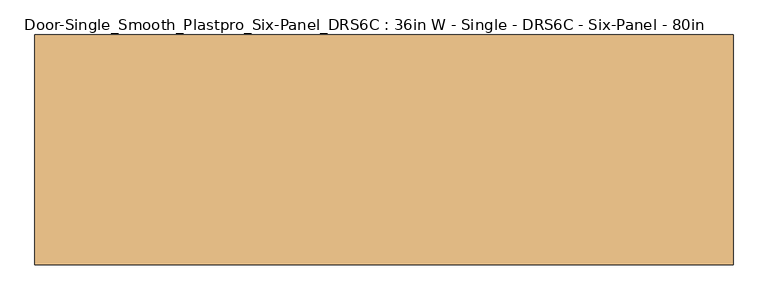
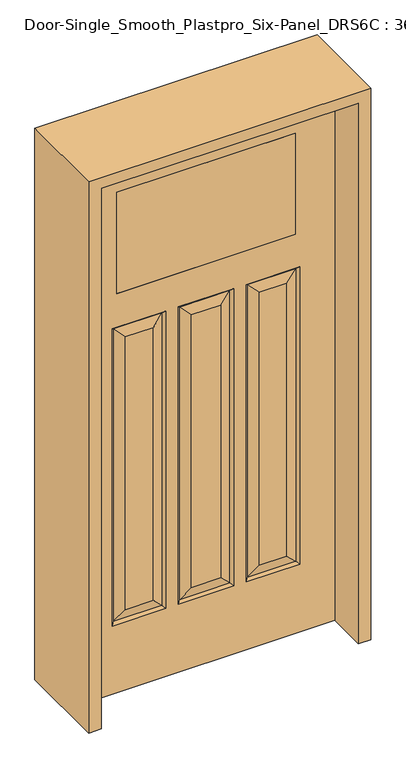
"""IFC4 building model written with IfcOpenShell, lengths in millimetres: door geometry, Door-Single_Smooth_Plastpro_Six-Panel_DRS6C : 36in W - Single - DRS6C - Six-Panel - 80in."""

from ifc_helpers import new_model, si_unit, frame, origin, place, context, project, spatial, polyline, outline, extrude, faceted_brep, source, transform, mapped, element, save


def door_single_smooth_plastpro_six_panel_drs6c_36in_w_single_a931ade0(model_context):
    return source(origin(), model_context, "Body", "SolidModel", [
        faceted_brep([(-151.8552561, -11.6572439, 264.4685374), (-142.875, -20.6375, 255.4882813), (-142.875, -20.6375, 1373.0882813), (-151.8552561, -11.6572439, 1364.1080251), (-188.9125, -20.6375, 301.5257813), (-188.9125, -20.6375, 1327.0507813), (287.3375, -20.6375, 301.5257813), (324.3947439, -11.6572439, 264.4685374), (324.3947439, -11.6572439, 1364.1080251), (287.3375, -20.6375, 1327.0507813), (-333.375, -20.6375, 1373.0882813), (-324.3947439, -11.6572439, 1364.1080251), (-457.2, -20.6375, 2032.0), (-457.2, 20.6375, 2032.0), (-457.2, 20.6375, 0.0), (-457.2, -20.6375, 0.0), (-317.5, 20.6375, 1881.0882813), (-317.5, -20.6375, 1881.0882813), (-317.5, -20.6375, 1500.0882813), (-317.5, 20.6375, 1500.0882813), (317.5, -20.6375, 1881.0882813), (317.5, 20.6375, 1881.0882813), (317.5, 20.6375, 1500.0882813), (317.5, -20.6375, 1500.0882813), (-151.8552561, 11.6572439, 264.4685374), (-324.3947439, 11.6572439, 264.4685374), (-287.3375, 20.6375, 301.5257813), (-188.9125, 20.6375, 301.5257813), (-324.3947439, 11.6572439, 1364.1080251), (-287.3375, 20.6375, 1327.0507813), (188.9125, 20.6375, 301.5257813), (151.8552561, 11.6572439, 264.4685374), (151.8552561, 11.6572439, 1364.1080251), (188.9125, 20.6375, 1327.0507813), (-89.4447439, 11.6572439, 264.4685374), (89.4447439, 11.6572439, 264.4685374), (98.425, 20.6375, 255.4882813), (-98.425, 20.6375, 255.4882813), (52.3875, 20.6375, 301.5257813), (52.3875, 20.6375, 1327.0507813), (89.4447439, 11.6572439, 1364.1080251), (333.375, -20.6375, 255.4882813), (333.375, -20.6375, 1373.0882813), (151.8552561, -11.6572439, 264.4685374), (188.9125, -20.6375, 301.5257813), (-89.4447439, -11.6572439, 264.4685374), (89.4447439, -11.6572439, 264.4685374), (52.3875, -20.6375, 301.5257813), (-52.3875, -20.6375, 301.5257813), (-188.9125, 20.6375, 1327.0507813), (287.3375, 20.6375, 301.5257813), (287.3375, 20.6375, 1327.0507813), (-52.3875, 20.6375, 301.5257813), (-52.3875, 20.6375, 1327.0507813), (457.2, 20.6375, 2032.0), (457.2, 20.6375, 0.0), (-333.375, 20.6375, 255.4882813), (-142.875, 20.6375, 255.4882813), (-142.875, 20.6375, 1373.0882813), (-333.375, 20.6375, 1373.0882813), (98.425, 20.6375, 1373.0882813), (-98.425, 20.6375, 1373.0882813), (142.875, 20.6375, 255.4882813), (333.375, 20.6375, 255.4882813), (333.375, 20.6375, 1373.0882813), (142.875, 20.6375, 1373.0882813), (457.2, -20.6375, 0.0), (457.2, -20.6375, 2032.0), (-287.3375, -20.6375, 301.5257813), (-287.3375, -20.6375, 1327.0507813), (188.9125, -20.6375, 1327.0507813), (52.3875, -20.6375, 1327.0507813), (-52.3875, -20.6375, 1327.0507813), (142.875, -20.6375, 255.4882813), (142.875, -20.6375, 1373.0882813), (98.425, -20.6375, 255.4882813), (-98.425, -20.6375, 255.4882813), (-98.425, -20.6375, 1373.0882813), (98.425, -20.6375, 1373.0882813), (-333.375, -20.6375, 255.4882813), (-151.8552561, 11.6572439, 1364.1080251), (324.3947439, 11.6572439, 264.4685374), (324.3947439, 11.6572439, 1364.1080251), (-89.4447439, 11.6572439, 1364.1080251), (-324.3947439, -11.6572439, 264.4685374), (151.8552561, -11.6572439, 1364.1080251), (-89.4447439, -11.6572439, 1364.1080251), (89.4447439, -11.6572439, 1364.1080251)], [[[0, 1, 2, 3]], [[4, 0, 3, 5]], [[6, 7, 8, 9]], [[3, 2, 10, 11]], [[12, 13, 14, 15]], [[16, 17, 18, 19]], [[20, 21, 22, 23]], [[24, 25, 26, 27]], [[26, 25, 28, 29]], [[30, 31, 32, 33]], [[34, 35, 36, 37]], [[35, 38, 39, 40]], [[7, 41, 42, 8]], [[43, 7, 6, 44]], [[45, 46, 47, 48]], [[27, 26, 29, 49]], [[50, 30, 33, 51]], [[38, 52, 53, 39]], [[13, 54, 55, 14], [56, 57, 58, 59], [37, 36, 60, 61], [62, 63, 64, 65], [21, 16, 19, 22]], [[55, 66, 15, 14]], [[54, 67, 66, 55]], [[68, 4, 5, 69]], [[44, 6, 9, 70]], [[48, 47, 71, 72]], [[67, 12, 15, 66], [41, 73, 74, 42], [75, 76, 77, 78], [1, 79, 10, 2], [17, 20, 23, 18]], [[25, 24, 57, 56]], [[57, 24, 80, 58]], [[25, 56, 59, 28]], [[24, 27, 49, 80]], [[31, 81, 63, 62]], [[63, 81, 82, 64]], [[31, 62, 65, 32]], [[81, 31, 30, 50]], [[81, 50, 51, 82]], [[36, 35, 40, 60]], [[34, 37, 61, 83]], [[35, 34, 52, 38]], [[52, 34, 83, 53]], [[1, 0, 84, 79]], [[79, 84, 11, 10]], [[84, 0, 4, 68]], [[84, 68, 69, 11]], [[41, 7, 43, 73]], [[73, 43, 85, 74]], [[43, 44, 70, 85]], [[75, 46, 45, 76]], [[76, 45, 86, 77]], [[46, 75, 78, 87]], [[47, 46, 87, 71]], [[45, 48, 72, 86]], [[54, 13, 12, 67]], [[17, 16, 21, 20]], [[19, 18, 23, 22]], [[5, 3, 11, 69]], [[8, 42, 74, 85]], [[9, 8, 85, 70]], [[87, 78, 77, 86]], [[71, 87, 86, 72]], [[58, 80, 28, 59]], [[80, 49, 29, 28]], [[64, 82, 32, 65]], [[82, 51, 33, 32]], [[60, 40, 83, 61]], [[40, 39, 53, 83]]]),
        extrude(outline(polyline([(317.5, -20.6375), (-317.5, -20.6375), (-317.5, 20.6375), (317.5, 20.6375), (317.5, -20.6375)])), frame((0.0, 0.0, 1500.0882813), z_axis=(0.0, 0.0, 1.0), x_axis=(1.0, 0.0, 0.0)), (0.0, 0.0, 1.0), 381.0),
        extrude(outline(polyline([(2073.275, -501.65), (0.0, -501.65), (0.0, -457.2), (2032.0, -457.2), (2032.0, 457.2), (0.0, 457.2), (0.0, 501.65), (2073.275, 501.65), (2073.275, -501.65)])), frame((0.0, -165.1, 0.0), z_axis=(0.0, 1.0, 0.0), x_axis=(0.0, 0.0, 1.0)), (0.0, 0.0, 1.0), 330.2),
    ])


if __name__ == "__main__":
    model = new_model("IFC4")
    model_context = context("Model", 3, world=origin())
    ifc_project = project(units=[si_unit("LENGTHUNIT", "METRE", prefix="MILLI")], contexts=[model_context])
    site = spatial("IfcSite", under=ifc_project)
    building = spatial("IfcBuilding", under=site)
    placement = place(None, origin())
    door_single_smooth_plastpro_six_panel_drs6c_36in_w_single_shape = door_single_smooth_plastpro_six_panel_drs6c_36in_w_single_a931ade0(model_context)
    element("IfcDoor", 1, ObjectType="Door-Single_Smooth_Plastpro_Six-Panel_DRS6C : 36in W - Single - DRS6C - Six-Panel - 80in", at=placement, inside=building, context=model_context, shape_type="MappedRepresentation", body=[
        mapped(door_single_smooth_plastpro_six_panel_drs6c_36in_w_single_shape, transform((0.0, 0.0, 0.0), x_axis=(1.0, 0.0, 0.0), y_axis=(0.0, 1.0, 0.0), z_axis=(0.0, 0.0, 1.0))),
    ])
    save(model, "model.ifc")
